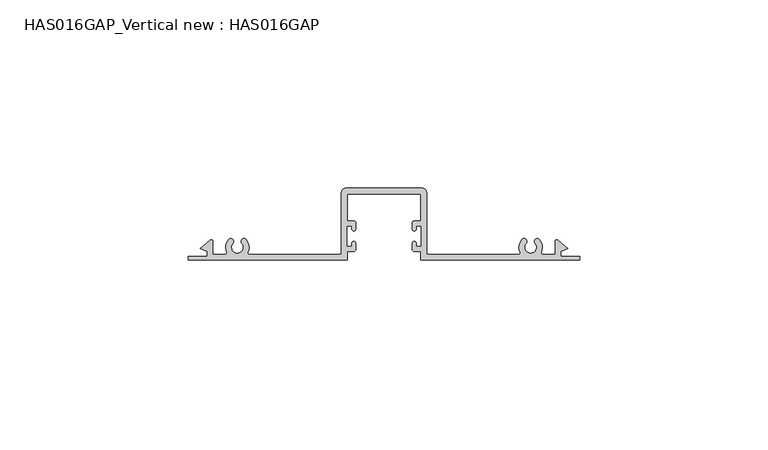
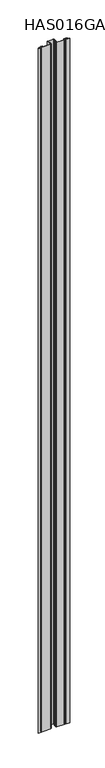
"""IFC4 building model written with IfcOpenShell, lengths in millimetres: beam geometry, HAS016GAP_Vertical new : HAS016GAP."""

from ifc_helpers import new_model, si_unit, point, frame, frame_2d, origin, place, context, project, spatial, polyline, circle_curve, trimmed, segment, composite_curve, outline, extrude, source, transform, mapped, element, save


def has016gap_vertical_new_has016gap_da41a915(model_context):
    return source(origin(), model_context, "Body", "SweptSolid", [
        extrude(outline(composite_curve([segment(polyline([(-8.5326172, 8.2824253), (-8.5326172, 9.0847277), (-9.9379894, 9.0847277), (-9.9379894, 3.6640062), (-8.5326172, 3.6640062), (-8.5326172, 4.4663086)]), True, "CONTINUOUS"), segment(trimmed(circle_curve(frame_2d((-8.0306985, 4.4663086)), 0.5019187), [point((-8.5326172, 4.4663086))], [point((-7.5287799, 4.4663086))], False, "CARTESIAN"), True, "CONTINUOUS"), segment(polyline([(-7.5287799, 4.4663086), (-7.5287799, 2.8609364)]), True, "CONTINUOUS"), segment(trimmed(circle_curve(frame_2d((-8.0306985, 2.8609364)), 0.5019187), [point((-7.5287799, 2.8609364))], [point((-8.0306985, 2.3590177))], False, "CARTESIAN"), True, "CONTINUOUS"), segment(polyline([(-8.0306985, 2.3590177), (-9.737222, 2.3590177), (-9.737222, 0.0), (-51.998773, 0.0), (-51.998773, 1.0038373), (-46.9293945, 1.0038373), (-46.9293945, 2.3590177), (-48.821712, 3.0477649), (-46.2521583, 5.2497332)]), True, "CONTINUOUS"), segment(trimmed(circle_curve(frame_2d((-45.9255572, 4.868611)), 0.5019187), [point((-46.2521583, 5.2497332))], [point((-45.4236386, 4.868611))], False, "CARTESIAN"), True, "CONTINUOUS"), segment(polyline([(-45.4236386, 4.868611), (-45.4236386, 1.505756), (-42.1210659, 1.505756)]), True, "CONTINUOUS"), segment(trimmed(circle_curve(frame_2d((-42.1210659, 1.9072892)), 0.4015332), [point((-42.1210659, 1.505756))], [point((-41.7582459, 2.0793081))], True, "CARTESIAN"), True, "CONTINUOUS"), segment(trimmed(circle_curve(frame_2d((-38.9463783, 3.4124606)), 3.1118957), [point((-41.7582459, 2.0793081))], [point((-41.2810574, 5.4699271))], False, "CARTESIAN"), True, "CONTINUOUS"), segment(trimmed(circle_curve(frame_2d((-40.7162157, 4.9721529)), 0.752878), [point((-41.2810574, 5.4699271))], [point((-40.151374, 4.4743788))], False, "CARTESIAN"), True, "CONTINUOUS"), segment(trimmed(circle_curve(frame_2d((-38.9463783, 3.4124606)), 1.6061397), [point((-40.151374, 4.4743788))], [point((-38.9268552, 1.8064396))], True, "CARTESIAN"), True, "CONTINUOUS"), segment(trimmed(circle_curve(frame_2d((-38.9463783, 3.4124606)), 1.6061397), [point((-38.9268552, 1.8064396))], [point((-37.7413826, 4.4743788))], True, "CARTESIAN"), True, "CONTINUOUS"), segment(trimmed(circle_curve(frame_2d((-37.1765409, 4.9721529)), 0.752878), [point((-37.7413826, 4.4743788))], [point((-36.6116992, 5.4699271))], False, "CARTESIAN"), True, "CONTINUOUS"), segment(trimmed(circle_curve(frame_2d((-38.9463783, 3.4124606)), 3.1118957), [point((-36.6116992, 5.4699271))], [point((-36.1344804, 2.0793722))], False, "CARTESIAN"), True, "CONTINUOUS"), segment(trimmed(circle_curve(frame_2d((-35.7716106, 1.9073398)), 0.4015838), [point((-36.1344804, 2.0793722))], [point((-35.7716106, 1.505756))], True, "CARTESIAN"), True, "CONTINUOUS"), segment(polyline([(-35.7716106, 1.505756), (-11.2931698, 1.505756), (-11.2931698, 17.968688)]), True, "CONTINUOUS"), segment(trimmed(circle_curve(frame_2d((-10.088565, 17.968688)), 1.2046048), [point((-11.2931698, 17.968688))], [point((-10.088565, 19.1732927))], False, "CARTESIAN"), True, "CONTINUOUS"), segment(polyline([(-10.088565, 19.1732927), (10.0935842, 19.1732927)]), True, "CONTINUOUS"), segment(trimmed(circle_curve(frame_2d((10.0935842, 17.968688)), 1.2046048), [point((10.0935842, 19.1732927))], [point((11.298189, 17.968688))], False, "CARTESIAN"), True, "CONTINUOUS"), segment(polyline([(11.298189, 17.968688), (11.298189, 1.505756), (35.7766993, 1.505756)]), True, "CONTINUOUS"), segment(trimmed(circle_curve(frame_2d((35.7766993, 1.9072958)), 0.4015399), [point((35.7766993, 1.505756))], [point((36.1395259, 2.0793166))], True, "CARTESIAN"), True, "CONTINUOUS"), segment(trimmed(circle_curve(frame_2d((38.9513975, 3.4124606)), 3.1118957), [point((36.1395259, 2.0793166))], [point((36.6167184, 5.4699271))], False, "CARTESIAN"), True, "CONTINUOUS"), segment(trimmed(circle_curve(frame_2d((37.1815601, 4.9721529)), 0.752878), [point((36.6167184, 5.4699271))], [point((37.7464018, 4.4743788))], False, "CARTESIAN"), True, "CONTINUOUS"), segment(trimmed(circle_curve(frame_2d((38.9513975, 3.4124606)), 1.6061397), [point((37.7464018, 4.4743788))], [point((38.9513975, 1.8063209))], True, "CARTESIAN"), True, "CONTINUOUS"), segment(trimmed(circle_curve(frame_2d((38.9513975, 3.4124606)), 1.6061397), [point((38.9513975, 1.8063209))], [point((40.1563931, 4.4743788))], True, "CARTESIAN"), True, "CONTINUOUS"), segment(trimmed(circle_curve(frame_2d((40.7212349, 4.9721529)), 0.752878), [point((40.1563931, 4.4743788))], [point((41.2860766, 5.4699271))], False, "CARTESIAN"), True, "CONTINUOUS"), segment(trimmed(circle_curve(frame_2d((38.9513975, 3.4124606)), 3.1118957), [point((41.2860766, 5.4699271))], [point((41.7632536, 2.079284))], False, "CARTESIAN"), True, "CONTINUOUS"), segment(trimmed(circle_curve(frame_2d((42.1260549, 1.9072701)), 0.4015141), [point((41.7632536, 2.079284))], [point((42.1260549, 1.505756))], True, "CARTESIAN"), True, "CONTINUOUS"), segment(polyline([(42.1260549, 1.505756), (45.4236386, 1.505756), (45.4236386, 4.868611)]), True, "CONTINUOUS"), segment(trimmed(circle_curve(frame_2d((45.9255572, 4.868611)), 0.5019187), [point((45.4236386, 4.868611))], [point((46.2521583, 5.2497332))], False, "CARTESIAN"), True, "CONTINUOUS"), segment(polyline([(46.2521583, 5.2497332), (48.821712, 3.0477649), (46.9293945, 2.3590177), (46.9293945, 1.0038373), (51.998773, 1.0038373), (51.998773, 0.0), (9.737222, 0.0), (9.7422412, 2.3590177), (8.0357177, 2.3590177)]), True, "CONTINUOUS"), segment(trimmed(circle_curve(frame_2d((8.0357177, 2.8609364)), 0.5019187), [point((8.0357177, 2.3590177))], [point((7.5337991, 2.8609364))], False, "CARTESIAN"), True, "CONTINUOUS"), segment(polyline([(7.5337991, 2.8609364), (7.5337991, 4.4663086)]), True, "CONTINUOUS"), segment(trimmed(circle_curve(frame_2d((8.0357177, 4.4663086)), 0.5019187), [point((7.5337991, 4.4663086))], [point((8.5376364, 4.4663086))], False, "CARTESIAN"), True, "CONTINUOUS"), segment(polyline([(8.5376364, 4.4663086), (8.5376364, 3.6640062), (9.9430086, 3.6640062), (9.9430086, 9.0847277), (8.5376364, 9.0847277), (8.5376364, 8.2824253)]), True, "CONTINUOUS"), segment(trimmed(circle_curve(frame_2d((8.0357177, 8.2824253)), 0.5019187), [point((8.5376364, 8.2824253))], [point((7.5337991, 8.2824253))], False, "CARTESIAN"), True, "CONTINUOUS"), segment(polyline([(7.5337991, 8.2824253), (7.5337991, 9.8877976)]), True, "CONTINUOUS"), segment(trimmed(circle_curve(frame_2d((8.0357177, 9.8877976)), 0.5019187), [point((7.5337991, 9.8877976))], [point((8.0357177, 10.3897162))], False, "CARTESIAN"), True, "CONTINUOUS"), segment(polyline([(8.0357177, 10.3897162), (9.7422412, 10.3897162), (9.7422412, 17.6173449), (-9.737222, 17.6173449), (-9.737222, 10.3897162), (-8.0306985, 10.3897162)]), True, "CONTINUOUS"), segment(trimmed(circle_curve(frame_2d((-8.0306985, 9.8877976)), 0.5019187), [point((-8.0306985, 10.3897162))], [point((-7.5287799, 9.8877976))], False, "CARTESIAN"), True, "CONTINUOUS"), segment(polyline([(-7.5287799, 9.8877976), (-7.5287799, 8.2824253)]), True, "CONTINUOUS"), segment(trimmed(circle_curve(frame_2d((-8.0306985, 8.2824253)), 0.5019187), [point((-7.5287799, 8.2824253))], [point((-8.5326172, 8.2824253))], False, "CARTESIAN"), True, "CONTINUOUS")], self_intersect=False)), frame((0.0, 0.0, -1200.0), z_axis=(0.0, 0.0, 1.0), x_axis=(1.0, 0.0, 0.0)), (0.0, 0.0, 1.0), 2400.0),
    ])


if __name__ == "__main__":
    model = new_model("IFC4")
    model_context = context("Model", 3, world=origin())
    ifc_project = project(units=[si_unit("LENGTHUNIT", "METRE", prefix="MILLI")], contexts=[model_context])
    site = spatial("IfcSite", under=ifc_project)
    building = spatial("IfcBuilding", under=site)
    placement = place(None, origin())
    has016gap_vertical_new_has016gap_shape = has016gap_vertical_new_has016gap_da41a915(model_context)
    element("IfcBeam", 1, ObjectType="HAS016GAP_Vertical new : HAS016GAP", at=placement, inside=building, context=model_context, shape_type="MappedRepresentation", body=[
        mapped(has016gap_vertical_new_has016gap_shape, transform((0.0, 0.0, 0.0), x_axis=(1.0, 0.0, 0.0), y_axis=(0.0, 1.0, 0.0), z_axis=(0.0, 0.0, 1.0))),
    ])
    save(model, "model.ifc")
